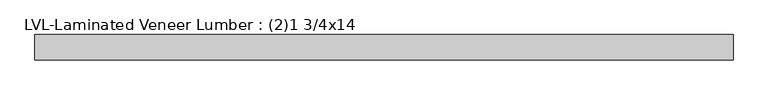
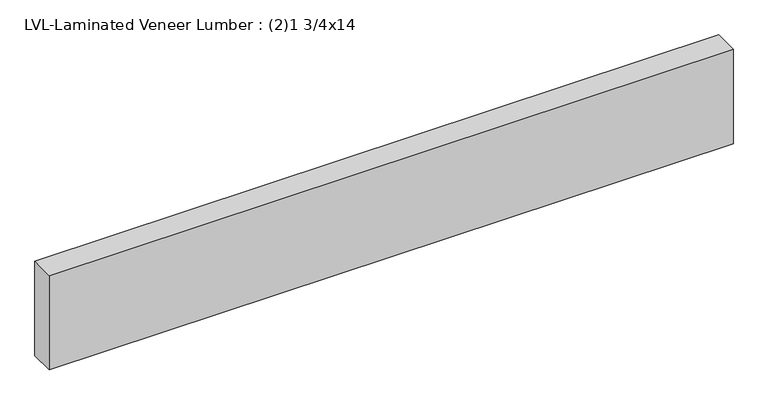
"""IFC4 building model written with IfcOpenShell, lengths in millimetres: beam geometry, LVL-Laminated Veneer Lumber : (2)1 3/4x14."""

from ifc_helpers import new_model, si_unit, frame, origin, place, context, project, spatial, polyline, outline, extrude, source, transform, mapped, element, save


def lvl_laminated_veneer_lumber_2_1_3_4x14_d19fdece(model_context):
    return source(origin(), model_context, "Body", "SweptSolid", [
        extrude(outline(polyline([(1184.275, 44.45), (1184.275, -44.45), (-1254.125, -44.45), (-1254.125, 44.45), (1184.275, 44.45)])), frame((0.0, 0.0, -177.8), z_axis=(0.0, 0.0, 1.0), x_axis=(1.0, 0.0, 0.0)), (0.0, 0.0, 1.0), 355.6),
    ])


if __name__ == "__main__":
    model = new_model("IFC4")
    model_context = context("Model", 3, world=origin())
    ifc_project = project(units=[si_unit("LENGTHUNIT", "METRE", prefix="MILLI")], contexts=[model_context])
    site = spatial("IfcSite", under=ifc_project)
    building = spatial("IfcBuilding", under=site)
    placement = place(None, origin())
    lvl_laminated_veneer_lumber_2_1_3_4x14_shape = lvl_laminated_veneer_lumber_2_1_3_4x14_d19fdece(model_context)
    element("IfcBeam", 1, ObjectType="LVL-Laminated Veneer Lumber : (2)1 3/4x14", at=placement, inside=building, context=model_context, shape_type="MappedRepresentation", body=[
        mapped(lvl_laminated_veneer_lumber_2_1_3_4x14_shape, transform((0.0, 0.0, 0.0), x_axis=(1.0, 0.0, 0.0), y_axis=(0.0, 1.0, 0.0), z_axis=(0.0, 0.0, 1.0))),
    ])
    save(model, "model.ifc")
